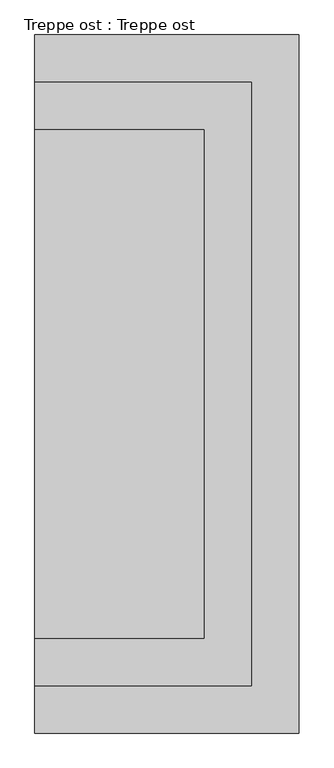
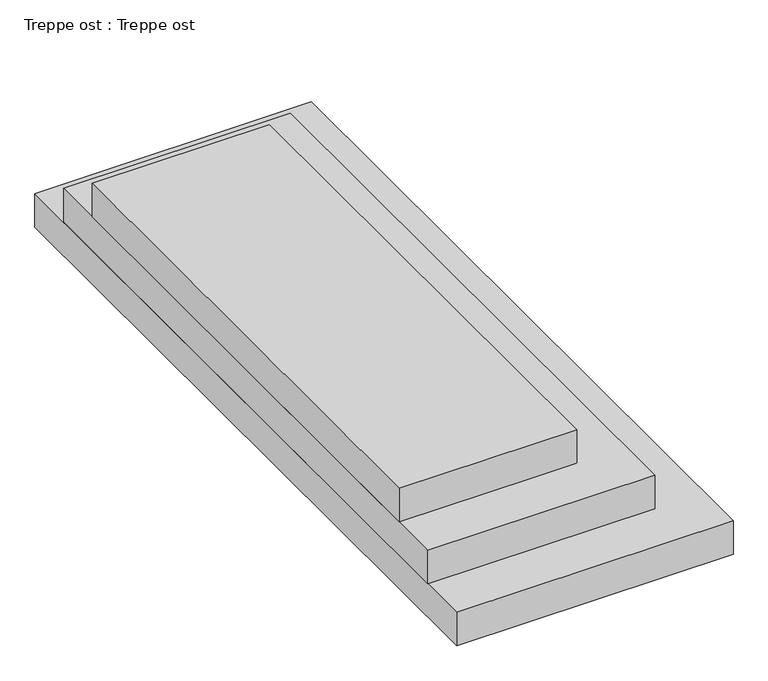
"""IFC4 building model written with IfcOpenShell, lengths in millimetres: stair geometry, Treppe ost : Treppe ost."""

from ifc_helpers import new_model, si_unit, frame, origin, place, context, project, spatial, polyline, outline, extrude, source, transform, mapped, element, save


def treppe_ost_treppe_ost_44b9e628(model_context):
    return source(origin(), model_context, "Body", "SweptSolid", [
        extrude(outline(polyline([(33810.0, 16250.0), (33810.0, 13250.0), (32810.0, 13250.0), (32810.0, 16250.0), (33810.0, 16250.0)])), frame((0.0, 0.0, -200.0), z_axis=(0.0, 0.0, 1.0), x_axis=(1.0, 0.0, 0.0)), (0.0, 0.0, 1.0), 200.0),
        extrude(outline(polyline([(34090.0, 16530.0), (34090.0, 12970.0), (32810.0, 12970.0), (32810.0, 16530.0), (34090.0, 16530.0)])), frame((0.0, 0.0, -400.0), z_axis=(0.0, 0.0, 1.0), x_axis=(1.0, 0.0, 0.0)), (0.0, 0.0, 1.0), 200.0),
        extrude(outline(polyline([(34370.0, 12690.0), (32810.0, 12690.0), (32810.0, 16810.0), (34370.0, 16810.0), (34370.0, 12690.0)])), frame((0.0, 0.0, -600.0), z_axis=(0.0, 0.0, 1.0), x_axis=(1.0, 0.0, 0.0)), (0.0, 0.0, 1.0), 200.0),
    ])


if __name__ == "__main__":
    model = new_model("IFC4")
    model_context = context("Model", 3, world=origin())
    ifc_project = project(units=[si_unit("LENGTHUNIT", "METRE", prefix="MILLI")], contexts=[model_context])
    site = spatial("IfcSite", under=ifc_project)
    building = spatial("IfcBuilding", under=site)
    placement = place(None, origin())
    treppe_ost_treppe_ost_shape = treppe_ost_treppe_ost_44b9e628(model_context)
    element("IfcStair", 1, ObjectType="Treppe ost : Treppe ost", at=placement, inside=building, context=model_context, shape_type="MappedRepresentation", body=[
        mapped(treppe_ost_treppe_ost_shape, transform((0.0, 0.0, 0.0), x_axis=(1.0, 0.0, 0.0), y_axis=(0.0, 1.0, 0.0), z_axis=(0.0, 0.0, 1.0))),
    ])
    save(model, "model.ifc")
